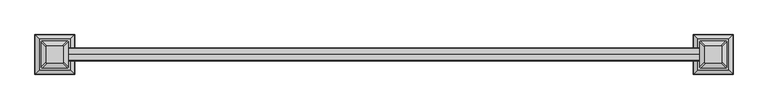
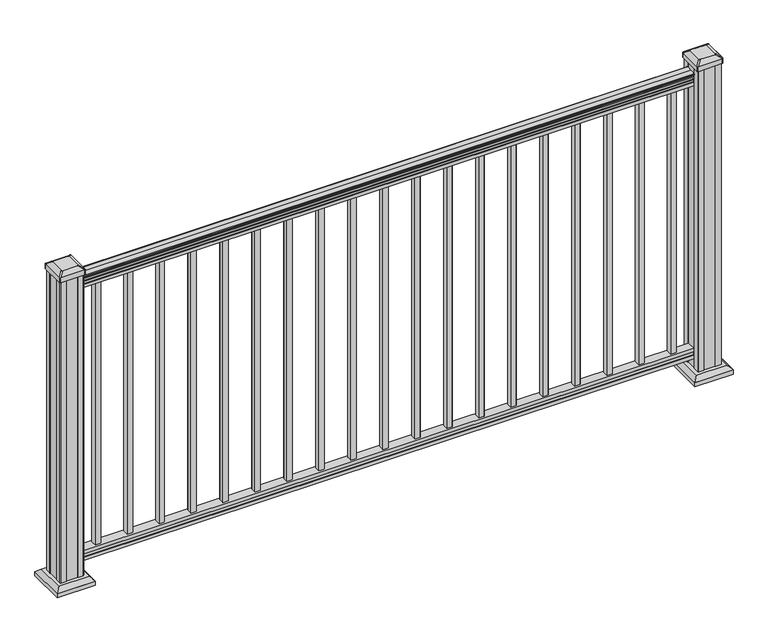
"""IFC4 building model written with IfcOpenShell, lengths in millimetres: railing geometry."""

from ifc_helpers import new_model, si_unit, point, frame, frame_2d, origin, origin_with_axes, place, context, project, spatial, polyline, circle_curve, trimmed, segment, composite_curve, outline, extrude, faceted_brep, source, transform, mapped, element, save
from ifc_brep_helpers import plane_surface, cylinder_surface, revolved_surface, extruded_surface, advanced_brep


def railing_175253f0(model_context):
    return source(origin(), model_context, "Body", "SolidModel", [
        advanced_brep(
        [(15331.560144, -6988.1092591, 1090.8043297), (15331.560144, -6990.6830879, 1090.8043297), (15331.560144, -6990.6830879, 1080.147013), (15331.560144, -6989.6670879, 1079.131013), (15331.560144, -6989.6670879, 1066.8), (15331.560144, -7021.4170879, 1066.8), (15331.560144, -7021.4170879, 1079.2888283), (15331.560144, -7020.4010879, 1080.3048283), (15331.560144, -7020.4010879, 1090.8043297), (15331.560144, -7022.9749166, 1090.8043297), (15331.560144, -7022.9749166, 1092.692412), (15331.560144, -7024.1051029, 1094.2546695), (15331.560144, -7024.1051029, 1101.4726458), (15331.560144, -7023.4558465, 1103.9060812), (15331.560144, -7025.9558465, 1108.2362083), (15331.560144, -7027.3651889, 1109.9157972), (15331.560144, -7027.7670879, 1111.0205318), (15331.560144, -7027.7670879, 1112.3608158), (15331.560144, -7026.2136406, 1113.914263), (15331.560144, -7005.5420879, 1113.914263), (15331.560144, -6984.8705351, 1113.914263), (15331.560144, -6983.3170879, 1112.3608158), (15331.560144, -6983.3170879, 1111.0205318), (15331.560144, -6983.7189868, 1109.9157972), (15331.560144, -6985.1283292, 1108.2362083), (15331.560144, -6987.6283292, 1103.9060812), (15331.560144, -6986.9790728, 1101.4726458), (15331.560144, -6986.9790728, 1094.2546695), (15331.560144, -6988.1092591, 1092.692412), (17465.160144, -6988.1092591, 1090.8043297), (17465.160144, -6988.1092591, 1092.692412), (17465.160144, -6986.9790728, 1094.2546695), (17465.160144, -6986.9790728, 1101.4726458), (17465.160144, -6987.6283292, 1103.9060812), (17465.160144, -6985.1283292, 1108.2362083), (17465.160144, -6983.7189868, 1109.9157972), (17465.160144, -6983.3170878, 1111.0205318), (17465.160144, -6983.3170879, 1112.3608158), (17465.160144, -6984.8705351, 1113.914263), (17465.160144, -7005.5420879, 1113.914263), (17465.160144, -7026.2136406, 1113.914263), (17465.160144, -7027.7670879, 1112.3608158), (17465.160144, -7027.7670879, 1111.0205318), (17465.160144, -7027.3651889, 1109.9157972), (17465.160144, -7025.9558465, 1108.2362083), (17465.160144, -7023.4558465, 1103.9060812), (17465.160144, -7024.1051029, 1101.4726458), (17465.160144, -7024.1051029, 1094.2546695), (17465.160144, -7022.9749166, 1092.692412), (17465.160144, -7022.9749166, 1090.8043297), (17465.160144, -7020.4010879, 1090.8043297), (17465.160144, -7020.4010879, 1080.3048283), (17465.160144, -7021.4170879, 1079.2888283), (17465.160144, -7021.4170879, 1066.8), (17465.160144, -6989.6670879, 1066.8), (17465.160144, -6989.6670879, 1079.131013), (17465.160144, -6990.6830879, 1080.147013), (17465.160144, -6990.6830879, 1090.8043297)],
        [
            (0, 1, circle_curve(frame((15331.560144, -6989.3961735, 1090.8043297), z_axis=(-1.0, 0.0, 0.0), x_axis=(0.0, -1.0, 0.0)), 1.2869144)),
            (1, 2),
            (2, 3),
            (3, 4),
            (4, 5),
            (5, 6),
            (6, 7),
            (7, 8),
            (8, 9, circle_curve(frame((15331.560144, -7021.6880022, 1090.8043297), z_axis=(-1.0, 0.0, 0.0), x_axis=(0.0, 1.0, 0.0)), 1.2869144)),
            (9, 10),
            (10, 11, circle_curve(frame((15331.560144, -7016.6601633, 1098.4506383), z_axis=(-1.0, 0.0, 0.0), x_axis=(0.0, 1.0, 0.0)), 8.545951)),
            (11, 12, circle_curve(frame((15331.560144, -7017.0972263, 1097.8636577), z_axis=(-1.0, 0.0, 0.0), x_axis=(0.0, 1.0, 0.0)), 7.882584)),
            (12, 13, circle_curve(frame((15331.560144, -7027.6105504, 1103.7112527), z_axis=(1.0, 0.0, 0.0), x_axis=(0.0, 1.0, 0.0)), 4.1592695)),
            (13, 14, circle_curve(frame((15331.560144, -7028.897857, 1103.6508864), z_axis=(1.0, 0.0, 0.0), x_axis=(0.0, 1.0, 0.0)), 5.4479907)),
            (14, 15, circle_curve(frame((15331.560144, -7027.6646985, 1108.233395), z_axis=(1.0, 0.0, 0.0), x_axis=(0.0, 1.0, 0.0)), 1.7088543)),
            (15, 16, circle_curve(frame((15331.560144, -7026.0477984, 1111.0205318), z_axis=(-1.0, 0.0, 0.0), x_axis=(0.0, 1.0, 0.0)), 1.7192895)),
            (16, 17),
            (17, 18, circle_curve(frame((15331.560144, -7026.2136406, 1112.3608158), z_axis=(-1.0, 0.0, 0.0), x_axis=(0.0, 1.0, 0.0)), 1.5534472)),
            (18, 19),
            (19, 20),
            (20, 21, circle_curve(frame((15331.560144, -6984.8705351, 1112.3608158), z_axis=(-1.0, 0.0, 0.0), x_axis=(0.0, -1.0, 0.0)), 1.5534472)),
            (21, 22),
            (22, 23, circle_curve(frame((15331.560144, -6985.0363773, 1111.0205318), z_axis=(-1.0, 0.0, 0.0), x_axis=(0.0, -1.0, 0.0)), 1.7192895)),
            (23, 24, circle_curve(frame((15331.560144, -6983.4194772, 1108.233395), z_axis=(1.0, 0.0, 0.0), x_axis=(0.0, -1.0, 0.0)), 1.7088543)),
            (24, 25, circle_curve(frame((15331.560144, -6982.1863188, 1103.6508864), z_axis=(1.0, 0.0, 0.0), x_axis=(0.0, -1.0, 0.0)), 5.4479907)),
            (25, 26, circle_curve(frame((15331.560144, -6983.4736253, 1103.7112527), z_axis=(1.0, 0.0, 0.0), x_axis=(0.0, -1.0, 0.0)), 4.1592695)),
            (26, 27, circle_curve(frame((15331.560144, -6993.9869494, 1097.8636577), z_axis=(-1.0, 0.0, 0.0), x_axis=(0.0, -1.0, 0.0)), 7.882584)),
            (27, 28, circle_curve(frame((15331.560144, -6994.4240124, 1098.4506383), z_axis=(-1.0, 0.0, 0.0), x_axis=(0.0, -1.0, 0.0)), 8.545951)),
            (28, 0),
            (29, 30),
            (30, 31, circle_curve(frame((17465.160144, -6994.4240124, 1098.4506383), z_axis=(1.0, 0.0, 0.0), x_axis=(0.0, -1.0, 0.0)), 8.545951)),
            (31, 32, circle_curve(frame((17465.160144, -6993.9869494, 1097.8636577), z_axis=(1.0, 0.0, 0.0), x_axis=(0.0, -1.0, 0.0)), 7.882584)),
            (32, 33, circle_curve(frame((17465.160144, -6983.4736253, 1103.7112527), z_axis=(-1.0, 0.0, 0.0), x_axis=(0.0, -1.0, 0.0)), 4.1592695)),
            (33, 34, circle_curve(frame((17465.160144, -6982.1863188, 1103.6508864), z_axis=(-1.0, 0.0, 0.0), x_axis=(0.0, -1.0, 0.0)), 5.4479907)),
            (34, 35, circle_curve(frame((17465.160144, -6983.4194772, 1108.233395), z_axis=(-1.0, 0.0, 0.0), x_axis=(0.0, -1.0, 0.0)), 1.7088543)),
            (35, 36, circle_curve(frame((17465.160144, -6985.0363773, 1111.0205318), z_axis=(1.0, 0.0, 0.0), x_axis=(0.0, -1.0, 0.0)), 1.7192895)),
            (36, 37),
            (37, 38, circle_curve(frame((17465.160144, -6984.8705351, 1112.3608158), z_axis=(1.0, 0.0, 0.0), x_axis=(0.0, -1.0, 0.0)), 1.5534472)),
            (38, 39),
            (39, 40),
            (40, 41, circle_curve(frame((17465.160144, -7026.2136406, 1112.3608158), z_axis=(1.0, 0.0, 0.0), x_axis=(0.0, 1.0, 0.0)), 1.5534472)),
            (41, 42),
            (42, 43, circle_curve(frame((17465.160144, -7026.0477984, 1111.0205318), z_axis=(1.0, 0.0, 0.0), x_axis=(0.0, 1.0, 0.0)), 1.7192895)),
            (43, 44, circle_curve(frame((17465.160144, -7027.6646985, 1108.233395), z_axis=(-1.0, 0.0, 0.0), x_axis=(0.0, 1.0, 0.0)), 1.7088543)),
            (44, 45, circle_curve(frame((17465.160144, -7028.897857, 1103.6508864), z_axis=(-1.0, 0.0, 0.0), x_axis=(0.0, 1.0, 0.0)), 5.4479907)),
            (45, 46, circle_curve(frame((17465.160144, -7027.6105504, 1103.7112527), z_axis=(-1.0, 0.0, 0.0), x_axis=(0.0, 1.0, 0.0)), 4.1592695)),
            (46, 47, circle_curve(frame((17465.160144, -7017.0972263, 1097.8636577), z_axis=(1.0, 0.0, 0.0), x_axis=(0.0, 1.0, 0.0)), 7.882584)),
            (47, 48, circle_curve(frame((17465.160144, -7016.6601633, 1098.4506383), z_axis=(1.0, 0.0, 0.0), x_axis=(0.0, 1.0, 0.0)), 8.545951)),
            (48, 49),
            (49, 50, circle_curve(frame((17465.160144, -7021.6880022, 1090.8043297), z_axis=(1.0, 0.0, 0.0), x_axis=(0.0, 1.0, 0.0)), 1.2869144)),
            (50, 51),
            (51, 52),
            (52, 53),
            (53, 54),
            (54, 55),
            (55, 56),
            (56, 57),
            (57, 29, circle_curve(frame((17465.160144, -6989.3961735, 1090.8043297), z_axis=(1.0, 0.0, 0.0), x_axis=(0.0, -1.0, 0.0)), 1.2869144)),
            (0, 29),
            (57, 1),
            (56, 2),
            (55, 3),
            (54, 4),
            (53, 5),
            (52, 6),
            (51, 7),
            (50, 8),
            (49, 9),
            (48, 10),
            (47, 11),
            (46, 12),
            (45, 13),
            (44, 14),
            (43, 15),
            (42, 16),
            (41, 17),
            (40, 18),
            (39, 19),
            (38, 20),
            (37, 21),
            (36, 22),
            (35, 23),
            (34, 24),
            (33, 25),
            (32, 26),
            (31, 27),
            (30, 28),
        ],
        [
            plane_surface(frame((15331.560144, -7005.5420879, 1066.8), z_axis=(-1.0, 0.0, 0.0), x_axis=(0.0, 1.0, 0.0))),
            plane_surface(frame((17465.160144, -7005.5420879, 1066.8), z_axis=(1.0, 0.0, 0.0), x_axis=(0.0, 1.0, 0.0))),
            cylinder_surface(frame((15331.560144, -6989.3961735, 1090.8043297), z_axis=(-1.0, 0.0, 0.0), x_axis=(0.0, -1.0, 0.0)), 1.2869144),
            plane_surface(frame((15331.560144, -6990.6830879, 1090.8043297), z_axis=(0.0, 1.0, 0.0), x_axis=(1.0, 0.0, 0.0))),
            plane_surface(frame((15331.560144, -6990.6830879, 1080.147013), z_axis=(0.0, 0.7071067811865395, 0.7071067811865556), x_axis=(1.0, 0.0, 0.0))),
            plane_surface(frame((15331.560144, -6989.6670879, 1079.131013), z_axis=(0.0, 1.0, 0.0), x_axis=(1.0, 0.0, 0.0))),
            plane_surface(frame((15331.560144, -6989.6670879, 1066.8), z_axis=(0.0, 0.0, -1.0), x_axis=(1.0, 0.0, 0.0))),
            plane_surface(frame((15331.560144, -7021.4170879, 1066.8), z_axis=(0.0, -1.0, 0.0), x_axis=(1.0, 0.0, 0.0))),
            plane_surface(frame((15331.560144, -7021.4170879, 1079.2888283), z_axis=(0.0, -0.7071067811865432, 0.707106781186552), x_axis=(1.0, 0.0, 0.0))),
            plane_surface(frame((15331.560144, -7020.4010879, 1080.3048283), z_axis=(0.0, -1.0, 0.0), x_axis=(1.0, 0.0, 0.0))),
            cylinder_surface(frame((15331.560144, -7021.6880022, 1090.8043297), z_axis=(-1.0, 0.0, 0.0), x_axis=(0.0, 1.0, 0.0)), 1.2869144),
            plane_surface(frame((15331.560144, -7022.9749166, 1090.8043297), z_axis=(0.0, -1.0, 0.0), x_axis=(1.0, 0.0, 0.0))),
            cylinder_surface(frame((15331.560144, -7016.6601633, 1098.4506383), z_axis=(-1.0, 0.0, 0.0), x_axis=(0.0, 1.0, 0.0)), 8.545951),
            cylinder_surface(frame((15331.560144, -7017.0972263, 1097.8636577), z_axis=(-1.0, 0.0, 0.0), x_axis=(0.0, 1.0, 0.0)), 7.882584),
            revolved_surface(polyline([(17465.160144, -7023.4512809, 1103.7112527), (15331.560144, -7023.4512809, 1103.7112527)]), (15331.560144, -7027.6105504, 1103.7112527), (1.0, 0.0, 0.0)),
            revolved_surface(polyline([(17465.160144, -7023.4498662999995, 1103.6508864), (15331.560144, -7023.4498662999995, 1103.6508864)]), (15331.560144, -7028.897857, 1103.6508864), (1.0, 0.0, 0.0)),
            revolved_surface(polyline([(17465.160144, -7025.9558442, 1108.233395), (15331.560144, -7025.9558442, 1108.233395)]), (15331.560144, -7027.6646985, 1108.233395), (1.0, 0.0, 0.0)),
            cylinder_surface(frame((15331.560144, -7026.0477984, 1111.0205318), z_axis=(-1.0, 0.0, 0.0), x_axis=(0.0, 1.0, 0.0)), 1.7192895),
            plane_surface(frame((15331.560144, -7027.7670879, 1111.0205318), z_axis=(0.0, -1.0, 0.0), x_axis=(1.0, 0.0, 0.0))),
            cylinder_surface(frame((15331.560144, -7026.2136406, 1112.3608158), z_axis=(-1.0, 0.0, 0.0), x_axis=(0.0, 1.0, 0.0)), 1.5534472),
            plane_surface(frame((15331.560144, -7026.2136406, 1113.914263), z_axis=(0.0, 0.0, 1.0), x_axis=(1.0, 0.0, 0.0))),
            plane_surface(frame((15331.560144, -7005.5420879, 1113.914263), z_axis=(0.0, 0.0, 1.0), x_axis=(1.0, 0.0, 0.0))),
            cylinder_surface(frame((15331.560144, -6984.8705351, 1112.3608158), z_axis=(-1.0, 0.0, 0.0), x_axis=(0.0, -1.0, 0.0)), 1.5534472),
            plane_surface(frame((15331.560144, -6983.3170879, 1112.3608158), z_axis=(0.0, 1.0, 0.0), x_axis=(1.0, 0.0, 0.0))),
            cylinder_surface(frame((15331.560144, -6985.0363773, 1111.0205318), z_axis=(-1.0, 0.0, 0.0), x_axis=(0.0, -1.0, 0.0)), 1.7192895),
            revolved_surface(polyline([(17465.160144, -6985.1283315, 1108.233395), (15331.560144, -6985.1283315, 1108.233395)]), (15331.560144, -6983.4194772, 1108.233395), (1.0, 0.0, 0.0)),
            revolved_surface(polyline([(17465.160144, -6987.6343095, 1103.6508864), (15331.560144, -6987.6343095, 1103.6508864)]), (15331.560144, -6982.1863188, 1103.6508864), (1.0, 0.0, 0.0)),
            revolved_surface(polyline([(17465.160144, -6987.6328948, 1103.7112527), (15331.560144, -6987.6328948, 1103.7112527)]), (15331.560144, -6983.4736253, 1103.7112527), (1.0, 0.0, 0.0)),
            cylinder_surface(frame((15331.560144, -6993.9869494, 1097.8636577), z_axis=(-1.0, 0.0, 0.0), x_axis=(0.0, -1.0, 0.0)), 7.882584),
            cylinder_surface(frame((15331.560144, -6994.4240124, 1098.4506383), z_axis=(-1.0, 0.0, 0.0), x_axis=(0.0, -1.0, 0.0)), 8.545951),
            plane_surface(frame((15331.560144, -6988.1092591, 1092.692412), z_axis=(0.0, 1.0, 0.0), x_axis=(1.0, 0.0, 0.0))),
        ],
        [
            (0, [[1, 2, 3, 4, 5, 6, 7, 8, 9, 10, 11, 12, 13, 14, 15, 16, 17, 18, 19, 20, 21, 22, 23, 24, 25, 26, 27, 28, 29]]),
            (1, [[30, 31, 32, 33, 34, 35, 36, 37, 38, 39, 40, 41, 42, 43, 44, 45, 46, 47, 48, 49, 50, 51, 52, 53, 54, 55, 56, 57, 58]]),
            (2, [[-1, 59, -58, 60]]),
            (3, [[-2, -60, -57, 61]]),
            (4, [[-3, -61, -56, 62]]),
            (5, [[-4, -62, -55, 63]]),
            (6, [[-5, -63, -54, 64]]),
            (7, [[-6, -64, -53, 65]]),
            (8, [[-7, -65, -52, 66]]),
            (9, [[-8, -66, -51, 67]]),
            (10, [[-9, -67, -50, 68]]),
            (11, [[-10, -68, -49, 69]]),
            (12, [[-11, -69, -48, 70]]),
            (13, [[-12, -70, -47, 71]]),
            (14, [[-13, -71, -46, 72]]),
            (15, [[-14, -72, -45, 73]]),
            (16, [[-15, -73, -44, 74]]),
            (17, [[-16, -74, -43, 75]]),
            (18, [[-17, -75, -42, 76]]),
            (19, [[-18, -76, -41, 77]]),
            (20, [[-19, -77, -40, 78]]),
            (21, [[-20, -78, -39, 79]]),
            (22, [[-21, -79, -38, 80]]),
            (23, [[-22, -80, -37, 81]]),
            (24, [[-23, -81, -36, 82]]),
            (25, [[-24, -82, -35, 83]]),
            (26, [[-25, -83, -34, 84]]),
            (27, [[-26, -84, -33, 85]]),
            (28, [[-27, -85, -32, 86]]),
            (29, [[-28, -86, -31, 87]]),
            (30, [[-29, -87, -30, -59]]),
        ],
    ),
        faceted_brep([(15331.560144, -6989.629601, 76.0541976), (15331.560144, -6989.629601, 63.5), (15331.560144, -7021.379601, 63.5), (15331.560144, -7021.379601, 76.0375508), (15331.560144, -7020.363601, 77.3858283), (15331.560144, -7020.363601, 87.6975248), (15331.560144, -7021.379601, 89.0458024), (15331.560144, -7021.379601, 101.5958781), (15331.560144, -6989.629601, 101.5958781), (15331.560144, -6989.629601, 89.0624492), (15331.560144, -6990.645601, 87.7141717), (15331.560144, -6990.645601, 77.3546183), (17465.160144, -6989.629601, 76.0541976), (17465.160144, -6990.645601, 77.3546183), (17465.160144, -6990.645601, 87.7141717), (17465.160144, -6989.629601, 89.0624492), (17465.160144, -6989.629601, 101.5958781), (17465.160144, -7021.379601, 101.5958781), (17465.160144, -7021.379601, 89.0458024), (17465.160144, -7020.363601, 87.6975248), (17465.160144, -7020.363601, 77.3858283), (17465.160144, -7021.379601, 76.0375508), (17465.160144, -7021.379601, 63.5), (17465.160144, -6989.629601, 63.5)], [[[0, 1, 2, 3, 4, 5, 6, 7, 8, 9, 10, 11]], [[12, 13, 14, 15, 16, 17, 18, 19, 20, 21, 22, 23]], [[1, 0, 12, 23]], [[2, 1, 23, 22]], [[3, 2, 22, 21]], [[4, 3, 21, 20]], [[5, 4, 20, 19]], [[6, 5, 19, 18]], [[7, 6, 18, 17]], [[8, 7, 17, 16]], [[9, 8, 16, 15]], [[10, 9, 15, 14]], [[11, 10, 14, 13]], [[0, 11, 13, 12]]]),
        extrude(outline(polyline([(17388.960144, -6996.0170879), (17408.010144, -6996.0170879), (17408.010144, -7015.0670879), (17388.960144, -7015.0670879), (17388.960144, -6996.0170879)]), holes=[polyline([(17389.357019, -6996.4139629), (17389.357019, -7014.6702129), (17407.613269, -7014.6702129), (17407.613269, -6996.4139629), (17389.357019, -6996.4139629)])]), frame((0.0, 0.0, 101.5958781), z_axis=(0.0, 0.0, 1.0), x_axis=(1.0, 0.0, 0.0)), (0.0, 0.0, 1.0), 965.2041219),
        extrude(outline(polyline([(17277.835144, -6996.0170879), (17296.885144, -6996.0170879), (17296.885144, -7015.0670879), (17277.835144, -7015.0670879), (17277.835144, -6996.0170879)]), holes=[polyline([(17278.232019, -6996.4139629), (17278.232019, -7014.6702129), (17296.488269, -7014.6702129), (17296.488269, -6996.4139629), (17278.232019, -6996.4139629)])]), frame((0.0, 0.0, 101.5958781), z_axis=(0.0, 0.0, 1.0), x_axis=(1.0, 0.0, 0.0)), (0.0, 0.0, 1.0), 965.2041219),
        extrude(outline(polyline([(17166.710144, -6996.0170879), (17185.760144, -6996.0170879), (17185.760144, -7015.0670879), (17166.710144, -7015.0670879), (17166.710144, -6996.0170879)]), holes=[polyline([(17167.107019, -6996.4139629), (17167.107019, -7014.6702129), (17185.363269, -7014.6702129), (17185.363269, -6996.4139629), (17167.107019, -6996.4139629)])]), frame((0.0, 0.0, 101.5958781), z_axis=(0.0, 0.0, 1.0), x_axis=(1.0, 0.0, 0.0)), (0.0, 0.0, 1.0), 965.2041219),
        extrude(outline(polyline([(17055.585144, -6996.0170879), (17074.635144, -6996.0170879), (17074.635144, -7015.0670879), (17055.585144, -7015.0670879), (17055.585144, -6996.0170879)]), holes=[polyline([(17055.982019, -6996.4139629), (17055.982019, -7014.6702129), (17074.238269, -7014.6702129), (17074.238269, -6996.4139629), (17055.982019, -6996.4139629)])]), frame((0.0, 0.0, 101.5958781), z_axis=(0.0, 0.0, 1.0), x_axis=(1.0, 0.0, 0.0)), (0.0, 0.0, 1.0), 965.2041219),
        extrude(outline(polyline([(16944.460144, -6996.0170879), (16963.510144, -6996.0170879), (16963.510144, -7015.0670879), (16944.460144, -7015.0670879), (16944.460144, -6996.0170879)]), holes=[polyline([(16944.857019, -6996.4139629), (16944.857019, -7014.6702129), (16963.113269, -7014.6702129), (16963.113269, -6996.4139629), (16944.857019, -6996.4139629)])]), frame((0.0, 0.0, 101.5958781), z_axis=(0.0, 0.0, 1.0), x_axis=(1.0, 0.0, 0.0)), (0.0, 0.0, 1.0), 965.2041219),
        extrude(outline(polyline([(16833.335144, -6996.0170879), (16852.385144, -6996.0170879), (16852.385144, -7015.0670879), (16833.335144, -7015.0670879), (16833.335144, -6996.0170879)]), holes=[polyline([(16833.732019, -6996.4139629), (16833.732019, -7014.6702129), (16851.988269, -7014.6702129), (16851.988269, -6996.4139629), (16833.732019, -6996.4139629)])]), frame((0.0, 0.0, 101.5958781), z_axis=(0.0, 0.0, 1.0), x_axis=(1.0, 0.0, 0.0)), (0.0, 0.0, 1.0), 965.2041219),
        extrude(outline(polyline([(16722.210144, -6996.0170879), (16741.260144, -6996.0170879), (16741.260144, -7015.0670879), (16722.210144, -7015.0670879), (16722.210144, -6996.0170879)]), holes=[polyline([(16722.607019, -6996.4139629), (16722.607019, -7014.6702129), (16740.863269, -7014.6702129), (16740.863269, -6996.4139629), (16722.607019, -6996.4139629)])]), frame((0.0, 0.0, 101.5958781), z_axis=(0.0, 0.0, 1.0), x_axis=(1.0, 0.0, 0.0)), (0.0, 0.0, 1.0), 965.2041219),
        extrude(outline(polyline([(16611.085144, -6996.0170879), (16630.135144, -6996.0170879), (16630.135144, -7015.0670879), (16611.085144, -7015.0670879), (16611.085144, -6996.0170879)]), holes=[polyline([(16611.482019, -6996.4139629), (16611.482019, -7014.6702129), (16629.738269, -7014.6702129), (16629.738269, -6996.4139629), (16611.482019, -6996.4139629)])]), frame((0.0, 0.0, 101.5958781), z_axis=(0.0, 0.0, 1.0), x_axis=(1.0, 0.0, 0.0)), (0.0, 0.0, 1.0), 965.2041219),
        extrude(outline(polyline([(16499.960144, -6996.0170879), (16519.010144, -6996.0170879), (16519.010144, -7015.0670879), (16499.960144, -7015.0670879), (16499.960144, -6996.0170879)]), holes=[polyline([(16500.357019, -6996.4139629), (16500.357019, -7014.6702129), (16518.613269, -7014.6702129), (16518.613269, -6996.4139629), (16500.357019, -6996.4139629)])]), frame((0.0, 0.0, 101.5958781), z_axis=(0.0, 0.0, 1.0), x_axis=(1.0, 0.0, 0.0)), (0.0, 0.0, 1.0), 965.2041219),
        extrude(outline(polyline([(16388.835144, -6996.0170879), (16407.885144, -6996.0170879), (16407.885144, -7015.0670879), (16388.835144, -7015.0670879), (16388.835144, -6996.0170879)]), holes=[polyline([(16389.232019, -6996.4139629), (16389.232019, -7014.6702129), (16407.488269, -7014.6702129), (16407.488269, -6996.4139629), (16389.232019, -6996.4139629)])]), frame((0.0, 0.0, 101.5958781), z_axis=(0.0, 0.0, 1.0), x_axis=(1.0, 0.0, 0.0)), (0.0, 0.0, 1.0), 965.2041219),
        extrude(outline(polyline([(16277.710144, -6996.0170879), (16296.760144, -6996.0170879), (16296.760144, -7015.0670879), (16277.710144, -7015.0670879), (16277.710144, -6996.0170879)]), holes=[polyline([(16278.107019, -6996.4139629), (16278.107019, -7014.6702129), (16296.363269, -7014.6702129), (16296.363269, -6996.4139629), (16278.107019, -6996.4139629)])]), frame((0.0, 0.0, 101.5958781), z_axis=(0.0, 0.0, 1.0), x_axis=(1.0, 0.0, 0.0)), (0.0, 0.0, 1.0), 965.2041219),
        extrude(outline(polyline([(16166.585144, -6996.0170879), (16185.635144, -6996.0170879), (16185.635144, -7015.0670879), (16166.585144, -7015.0670879), (16166.585144, -6996.0170879)]), holes=[polyline([(16166.982019, -6996.4139629), (16166.982019, -7014.6702129), (16185.238269, -7014.6702129), (16185.238269, -6996.4139629), (16166.982019, -6996.4139629)])]), frame((0.0, 0.0, 101.5958781), z_axis=(0.0, 0.0, 1.0), x_axis=(1.0, 0.0, 0.0)), (0.0, 0.0, 1.0), 965.2041219),
        extrude(outline(polyline([(16055.460144, -6996.0170879), (16074.510144, -6996.0170879), (16074.510144, -7015.0670879), (16055.460144, -7015.0670879), (16055.460144, -6996.0170879)]), holes=[polyline([(16055.857019, -6996.4139629), (16055.857019, -7014.6702129), (16074.113269, -7014.6702129), (16074.113269, -6996.4139629), (16055.857019, -6996.4139629)])]), frame((0.0, 0.0, 101.5958781), z_axis=(0.0, 0.0, 1.0), x_axis=(1.0, 0.0, 0.0)), (0.0, 0.0, 1.0), 965.2041219),
        extrude(outline(polyline([(15944.335144, -6996.0170879), (15963.385144, -6996.0170879), (15963.385144, -7015.0670879), (15944.335144, -7015.0670879), (15944.335144, -6996.0170879)]), holes=[polyline([(15944.732019, -6996.4139629), (15944.732019, -7014.6702129), (15962.988269, -7014.6702129), (15962.988269, -6996.4139629), (15944.732019, -6996.4139629)])]), frame((0.0, 0.0, 101.5958781), z_axis=(0.0, 0.0, 1.0), x_axis=(1.0, 0.0, 0.0)), (0.0, 0.0, 1.0), 965.2041219),
        extrude(outline(polyline([(15833.210144, -6996.0170879), (15852.260144, -6996.0170879), (15852.260144, -7015.0670879), (15833.210144, -7015.0670879), (15833.210144, -6996.0170879)]), holes=[polyline([(15833.607019, -6996.4139629), (15833.607019, -7014.6702129), (15851.863269, -7014.6702129), (15851.863269, -6996.4139629), (15833.607019, -6996.4139629)])]), frame((0.0, 0.0, 101.5958781), z_axis=(0.0, 0.0, 1.0), x_axis=(1.0, 0.0, 0.0)), (0.0, 0.0, 1.0), 965.2041219),
        extrude(outline(polyline([(15722.085144, -6996.0170879), (15741.135144, -6996.0170879), (15741.135144, -7015.0670879), (15722.085144, -7015.0670879), (15722.085144, -6996.0170879)]), holes=[polyline([(15722.482019, -6996.4139629), (15722.482019, -7014.6702129), (15740.738269, -7014.6702129), (15740.738269, -6996.4139629), (15722.482019, -6996.4139629)])]), frame((0.0, 0.0, 101.5958781), z_axis=(0.0, 0.0, 1.0), x_axis=(1.0, 0.0, 0.0)), (0.0, 0.0, 1.0), 965.2041219),
        extrude(outline(polyline([(15610.960144, -6996.0170879), (15630.010144, -6996.0170879), (15630.010144, -7015.0670879), (15610.960144, -7015.0670879), (15610.960144, -6996.0170879)]), holes=[polyline([(15611.357019, -6996.4139629), (15611.357019, -7014.6702129), (15629.613269, -7014.6702129), (15629.613269, -6996.4139629), (15611.357019, -6996.4139629)])]), frame((0.0, 0.0, 101.5958781), z_axis=(0.0, 0.0, 1.0), x_axis=(1.0, 0.0, 0.0)), (0.0, 0.0, 1.0), 965.2041219),
        extrude(outline(polyline([(15499.835144, -6996.0170879), (15518.885144, -6996.0170879), (15518.885144, -7015.0670879), (15499.835144, -7015.0670879), (15499.835144, -6996.0170879)]), holes=[polyline([(15500.232019, -6996.4139629), (15500.232019, -7014.6702129), (15518.488269, -7014.6702129), (15518.488269, -6996.4139629), (15500.232019, -6996.4139629)])]), frame((0.0, 0.0, 101.5958781), z_axis=(0.0, 0.0, 1.0), x_axis=(1.0, 0.0, 0.0)), (0.0, 0.0, 1.0), 965.2041219),
        extrude(outline(polyline([(15388.710144, -6996.0170879), (15407.760144, -6996.0170879), (15407.760144, -7015.0670879), (15388.710144, -7015.0670879), (15388.710144, -6996.0170879)]), holes=[polyline([(15389.107019, -6996.4139629), (15389.107019, -7014.6702129), (15407.363269, -7014.6702129), (15407.363269, -6996.4139629), (15389.107019, -6996.4139629)])]), frame((0.0, 0.0, 101.5958781), z_axis=(0.0, 0.0, 1.0), x_axis=(1.0, 0.0, 0.0)), (0.0, 0.0, 1.0), 965.2041219),
        faceted_brep([(17453.8492065, -6952.9561504, 28.575), (17453.8492065, -7058.1280254, 28.575), (17559.0210815, -7058.1280254, 28.575), (17559.0210815, -6952.9561504, 28.575), (17439.8097534, -6938.9166972, 15.24), (17573.0605346, -6938.9166972, 15.24), (17573.0605346, -7072.1674785, 15.24), (17439.8097534, -7072.1674785, 15.24)], [[[0, 1, 2, 3]], [[4, 5, 6, 7]], [[4, 7, 1, 0]], [[7, 6, 2, 1]], [[6, 5, 3, 2]], [[5, 4, 0, 3]]]),
        extrude(outline(polyline([(17439.8097534, -6938.9166972), (17573.0605346, -6938.9166972), (17573.0605346, -7072.1674785), (17439.8097534, -7072.1674785), (17439.8097534, -6938.9166972)])), origin_with_axes(), (0.0, 0.0, 1.0), 15.24),
        advanced_brep(
        [(17477.463269, -7031.3389629, 1165.225), (17480.638269, -7034.5139629, 1165.225), (17532.232019, -7034.5139629, 1165.225), (17535.407019, -7031.3389629, 1165.225), (17535.407019, -6979.7452129, 1165.225), (17532.232019, -6976.5702129, 1165.225), (17480.638269, -6976.5702129, 1165.225), (17477.463269, -6979.7452129, 1165.225), (17461.191394, -7047.6108379, 1153.922), (17461.191394, -6963.4733379, 1153.922), (17464.366394, -6960.2983379, 1153.922), (17548.503894, -6960.2983379, 1153.922), (17551.678894, -6963.4733379, 1153.922), (17551.678894, -7047.6108379, 1153.922), (17548.503894, -7050.7858379, 1153.922), (17464.366394, -7050.7858379, 1153.922)],
        [
            (0, 1, circle_curve(frame((17480.638269, -7031.3389629, 1165.225), z_axis=(0.0, 0.0, 1.0), x_axis=(1.0, 0.0, 0.0)), 3.175)),
            (1, 2),
            (2, 3, circle_curve(frame((17532.232019, -7031.3389629, 1165.225), z_axis=(0.0, 0.0, 1.0), x_axis=(1.0, 0.0, 0.0)), 3.175)),
            (3, 4),
            (4, 5, circle_curve(frame((17532.232019, -6979.7452129, 1165.225), z_axis=(0.0, 0.0, 1.0), x_axis=(1.0, 0.0, 0.0)), 3.175)),
            (5, 6),
            (6, 7, circle_curve(frame((17480.638269, -6979.7452129, 1165.225), z_axis=(0.0, 0.0, 1.0), x_axis=(1.0, 0.0, 0.0)), 3.175)),
            (7, 0),
            (8, 9),
            (9, 10, circle_curve(frame((17464.366394, -6963.4733379, 1153.922), z_axis=(0.0, 0.0, -1.0), x_axis=(1.0, 0.0, 0.0)), 3.175)),
            (10, 11),
            (11, 12, circle_curve(frame((17548.503894, -6963.4733379, 1153.922), z_axis=(0.0, 0.0, -1.0), x_axis=(1.0, 0.0, 0.0)), 3.175)),
            (12, 13),
            (13, 14, circle_curve(frame((17548.503894, -7047.6108379, 1153.922), z_axis=(0.0, 0.0, -1.0), x_axis=(1.0, 0.0, 0.0)), 3.175)),
            (14, 15),
            (15, 8, circle_curve(frame((17464.366394, -7047.6108379, 1153.922), z_axis=(0.0, 0.0, -1.0), x_axis=(1.0, 0.0, 0.0)), 3.175)),
            (15, 1),
            (0, 8),
            (14, 2),
            (13, 3),
            (12, 4),
            (11, 5),
            (10, 6),
            (9, 7),
        ],
        [
            plane_surface(frame((17506.435144, -7005.5420879, 1165.225), z_axis=(0.0, 0.0, 1.0), x_axis=(0.0, -1.0, 0.0))),
            plane_surface(frame((17506.435144, -7005.5420879, 1153.922), z_axis=(0.0, 0.0, -1.0), x_axis=(0.0, -1.0, 0.0))),
            extruded_surface(trimmed(circle_curve(frame((17464.366394, -7047.6108379, 1153.922), z_axis=(0.0, 0.0, 1.0), x_axis=(1.0, 0.0, 0.0)), 3.175), [point((17461.191394, -7047.6108379, 1153.922))], [point((17464.366394, -7050.7858379, 1153.922))], True, "CARTESIAN"), (16.271874999998545, 16.271874999999454, 11.302999999999884), 25.63797263886484),
            plane_surface(frame((17506.435144, -7050.7858379, 1153.922), z_axis=(0.0, -0.5705009161540777, 0.8212969649690409), x_axis=(1.0, 0.0, 0.0))),
            extruded_surface(trimmed(circle_curve(frame((17548.503894, -7047.6108379, 1153.922), z_axis=(0.0, 0.0, 1.0), x_axis=(1.0, 0.0, 0.0)), 3.175), [point((17548.503894, -7050.7858379, 1153.922))], [point((17551.678894, -7047.6108379, 1153.922))], True, "CARTESIAN"), (-16.271875000002183, 16.271874999999454, 11.302999999999884), 25.63797263886715),
            plane_surface(frame((17551.678894, -7005.5420879, 1153.922), z_axis=(0.5705009161540291, 0.0, 0.8212969649690747), x_axis=(0.0, 1.0, 0.0))),
            extruded_surface(trimmed(circle_curve(frame((17548.503894, -6963.4733379, 1153.922), z_axis=(0.0, 0.0, 1.0), x_axis=(1.0, 0.0, 0.0)), 3.175), [point((17551.678894, -6963.4733379, 1153.922))], [point((17548.503894, -6960.2983379, 1153.922))], True, "CARTESIAN"), (-16.271875000002183, -16.271875000000364, 11.302999999999884), 25.637972638867726),
            plane_surface(frame((17506.435144, -6960.2983379, 1153.922), z_axis=(0.0, 0.5705009161540143, 0.821296964969085), x_axis=(-1.0, 0.0, 0.0))),
            extruded_surface(trimmed(circle_curve(frame((17464.366394, -6963.4733379, 1153.922), z_axis=(0.0, 0.0, 1.0), x_axis=(1.0, 0.0, 0.0)), 3.175), [point((17464.366394, -6960.2983379, 1153.922))], [point((17461.191394, -6963.4733379, 1153.922))], True, "CARTESIAN"), (16.271874999998545, -16.271875000000364, 11.302999999999884), 25.63797263886542),
            plane_surface(frame((17461.191394, -7005.5420879, 1153.922), z_axis=(-0.570500916154034, 0.0, 0.8212969649690713), x_axis=(0.0, -1.0, 0.0))),
        ],
        [
            (0, [[1, 2, 3, 4, 5, 6, 7, 8]]),
            (1, [[9, 10, 11, 12, 13, 14, 15, 16]]),
            (2, [[-16, 17, -1, 18]]),
            (3, [[-15, 19, -2, -17]]),
            (4, [[-14, 20, -3, -19]]),
            (5, [[-13, 21, -4, -20]]),
            (6, [[-12, 22, -5, -21]]),
            (7, [[-11, 23, -6, -22]]),
            (8, [[-10, 24, -7, -23]]),
            (9, [[-9, -18, -8, -24]]),
        ],
    ),
        extrude(outline(composite_curve([segment(polyline([(17461.191394, -7047.6108379), (17461.191394, -6963.4733379)]), True, "CONTINUOUS"), segment(trimmed(circle_curve(frame_2d((17464.366394, -6963.4733379)), 3.175), [point((17461.191394, -6963.4733379))], [point((17464.366394, -6960.2983379))], False, "CARTESIAN"), True, "CONTINUOUS"), segment(polyline([(17464.366394, -6960.2983379), (17548.503894, -6960.2983379)]), True, "CONTINUOUS"), segment(trimmed(circle_curve(frame_2d((17548.503894, -6963.4733379)), 3.175), [point((17548.503894, -6960.2983379))], [point((17551.678894, -6963.4733379))], False, "CARTESIAN"), True, "CONTINUOUS"), segment(polyline([(17551.678894, -6963.4733379), (17551.678894, -7047.6108379)]), True, "CONTINUOUS"), segment(trimmed(circle_curve(frame_2d((17548.503894, -7047.6108379)), 3.175), [point((17551.678894, -7047.6108379))], [point((17548.503894, -7050.7858379))], False, "CARTESIAN"), True, "CONTINUOUS"), segment(polyline([(17548.503894, -7050.7858379), (17464.366394, -7050.7858379)]), True, "CONTINUOUS"), segment(trimmed(circle_curve(frame_2d((17464.366394, -7047.6108379)), 3.175), [point((17464.366394, -7050.7858379))], [point((17461.191394, -7047.6108379))], False, "CARTESIAN"), True, "CONTINUOUS")], self_intersect=False)), frame((0.0, 0.0, 1136.65), z_axis=(0.0, 0.0, 1.0), x_axis=(1.0, 0.0, 0.0)), (0.0, 0.0, 1.0), 17.272),
        extrude(outline(polyline([(17465.160144, -7045.2295879), (17465.160144, -7025.6080879), (17466.747644, -7024.8460879), (17466.747644, -6986.2380879), (17465.160144, -6985.4760879), (17465.160144, -6965.8545879), (17466.747644, -6964.2670879), (17486.369144, -6964.2670879), (17487.131144, -6965.8545879), (17525.739144, -6965.8545879), (17526.501144, -6964.2670879), (17546.122644, -6964.2670879), (17547.710144, -6965.8545879), (17547.710144, -6985.4760879), (17546.122644, -6986.2380879), (17546.122644, -7024.8460879), (17547.710144, -7025.6080879), (17547.710144, -7045.2295879), (17546.122644, -7046.8170879), (17526.501144, -7046.8170879), (17525.739144, -7045.2295879), (17487.131144, -7045.2295879), (17486.369144, -7046.8170879), (17466.747644, -7046.8170879), (17465.160144, -7045.2295879)])), origin_with_axes(), (0.0, 0.0, 1.0), 1136.65),
        faceted_brep([(15237.6992065, -6952.9561504, 28.575), (15237.6992065, -7058.1280254, 28.575), (15342.8710815, -7058.1280254, 28.575), (15342.8710815, -6952.9561504, 28.575), (15223.6597534, -6938.9166972, 15.24), (15356.9105346, -6938.9166972, 15.24), (15356.9105346, -7072.1674785, 15.24), (15223.6597534, -7072.1674785, 15.24)], [[[0, 1, 2, 3]], [[4, 5, 6, 7]], [[4, 7, 1, 0]], [[7, 6, 2, 1]], [[6, 5, 3, 2]], [[5, 4, 0, 3]]]),
        extrude(outline(polyline([(15223.6597534, -6938.9166972), (15356.9105346, -6938.9166972), (15356.9105346, -7072.1674785), (15223.6597534, -7072.1674785), (15223.6597534, -6938.9166972)])), origin_with_axes(), (0.0, 0.0, 1.0), 15.24),
        advanced_brep(
        [(15261.313269, -7031.3389629, 1165.225), (15264.488269, -7034.5139629, 1165.225), (15316.082019, -7034.5139629, 1165.225), (15319.257019, -7031.3389629, 1165.225), (15319.257019, -6979.7452129, 1165.225), (15316.082019, -6976.5702129, 1165.225), (15264.488269, -6976.5702129, 1165.225), (15261.313269, -6979.7452129, 1165.225), (15245.041394, -7047.6108379, 1153.922), (15245.041394, -6963.4733379, 1153.922), (15248.216394, -6960.2983379, 1153.922), (15332.353894, -6960.2983379, 1153.922), (15335.528894, -6963.4733379, 1153.922), (15335.528894, -7047.6108379, 1153.922), (15332.353894, -7050.7858379, 1153.922), (15248.216394, -7050.7858379, 1153.922)],
        [
            (0, 1, circle_curve(frame((15264.488269, -7031.3389629, 1165.225), z_axis=(0.0, 0.0, 1.0), x_axis=(1.0, 0.0, 0.0)), 3.175)),
            (1, 2),
            (2, 3, circle_curve(frame((15316.082019, -7031.3389629, 1165.225), z_axis=(0.0, 0.0, 1.0), x_axis=(1.0, 0.0, 0.0)), 3.175)),
            (3, 4),
            (4, 5, circle_curve(frame((15316.082019, -6979.7452129, 1165.225), z_axis=(0.0, 0.0, 1.0), x_axis=(1.0, 0.0, 0.0)), 3.175)),
            (5, 6),
            (6, 7, circle_curve(frame((15264.488269, -6979.7452129, 1165.225), z_axis=(0.0, 0.0, 1.0), x_axis=(1.0, 0.0, 0.0)), 3.175)),
            (7, 0),
            (8, 9),
            (9, 10, circle_curve(frame((15248.216394, -6963.4733379, 1153.922), z_axis=(0.0, 0.0, -1.0), x_axis=(1.0, 0.0, 0.0)), 3.175)),
            (10, 11),
            (11, 12, circle_curve(frame((15332.353894, -6963.4733379, 1153.922), z_axis=(0.0, 0.0, -1.0), x_axis=(1.0, 0.0, 0.0)), 3.175)),
            (12, 13),
            (13, 14, circle_curve(frame((15332.353894, -7047.6108379, 1153.922), z_axis=(0.0, 0.0, -1.0), x_axis=(1.0, 0.0, 0.0)), 3.175)),
            (14, 15),
            (15, 8, circle_curve(frame((15248.216394, -7047.6108379, 1153.922), z_axis=(0.0, 0.0, -1.0), x_axis=(1.0, 0.0, 0.0)), 3.175)),
            (15, 1),
            (0, 8),
            (14, 2),
            (13, 3),
            (12, 4),
            (11, 5),
            (10, 6),
            (9, 7),
        ],
        [
            plane_surface(frame((15290.285144, -7005.5420879, 1165.225), z_axis=(0.0, 0.0, 1.0), x_axis=(0.0, -1.0, 0.0))),
            plane_surface(frame((15290.285144, -7005.5420879, 1153.922), z_axis=(0.0, 0.0, -1.0), x_axis=(0.0, -1.0, 0.0))),
            extruded_surface(trimmed(circle_curve(frame((15248.216394, -7047.6108379, 1153.922), z_axis=(0.0, 0.0, 1.0), x_axis=(1.0, 0.0, 0.0)), 3.175), [point((15245.041394, -7047.6108379, 1153.922))], [point((15248.216394, -7050.7858379, 1153.922))], True, "CARTESIAN"), (16.271875000000364, 16.271874999999454, 11.302999999999884), 25.637972638865996),
            plane_surface(frame((15290.285144, -7050.7858379, 1153.922), z_axis=(0.0, -0.5705009161540777, 0.8212969649690409), x_axis=(1.0, 0.0, 0.0))),
            extruded_surface(trimmed(circle_curve(frame((15332.353894, -7047.6108379, 1153.922), z_axis=(0.0, 0.0, 1.0), x_axis=(1.0, 0.0, 0.0)), 3.175), [point((15332.353894, -7050.7858379, 1153.922))], [point((15335.528894, -7047.6108379, 1153.922))], True, "CARTESIAN"), (-16.271875000000364, 16.271874999999454, 11.302999999999884), 25.637972638865996),
            plane_surface(frame((15335.528894, -7005.5420879, 1153.922), z_axis=(0.5705009161540291, 0.0, 0.8212969649690747), x_axis=(0.0, 1.0, 0.0))),
            extruded_surface(trimmed(circle_curve(frame((15332.353894, -6963.4733379, 1153.922), z_axis=(0.0, 0.0, 1.0), x_axis=(1.0, 0.0, 0.0)), 3.175), [point((15335.528894, -6963.4733379, 1153.922))], [point((15332.353894, -6960.2983379, 1153.922))], True, "CARTESIAN"), (-16.271875000000364, -16.271875000000364, 11.302999999999884), 25.63797263886657),
            plane_surface(frame((15290.285144, -6960.2983379, 1153.922), z_axis=(0.0, 0.5705009161540143, 0.821296964969085), x_axis=(-1.0, 0.0, 0.0))),
            extruded_surface(trimmed(circle_curve(frame((15248.216394, -6963.4733379, 1153.922), z_axis=(0.0, 0.0, 1.0), x_axis=(1.0, 0.0, 0.0)), 3.175), [point((15248.216394, -6960.2983379, 1153.922))], [point((15245.041394, -6963.4733379, 1153.922))], True, "CARTESIAN"), (16.271875000000364, -16.271875000000364, 11.302999999999884), 25.63797263886657),
            plane_surface(frame((15245.041394, -7005.5420879, 1153.922), z_axis=(-0.570500916154034, 0.0, 0.8212969649690713), x_axis=(0.0, -1.0, 0.0))),
        ],
        [
            (0, [[1, 2, 3, 4, 5, 6, 7, 8]]),
            (1, [[9, 10, 11, 12, 13, 14, 15, 16]]),
            (2, [[-16, 17, -1, 18]]),
            (3, [[-15, 19, -2, -17]]),
            (4, [[-14, 20, -3, -19]]),
            (5, [[-13, 21, -4, -20]]),
            (6, [[-12, 22, -5, -21]]),
            (7, [[-11, 23, -6, -22]]),
            (8, [[-10, 24, -7, -23]]),
            (9, [[-9, -18, -8, -24]]),
        ],
    ),
        extrude(outline(composite_curve([segment(polyline([(15245.041394, -7047.6108379), (15245.041394, -6963.4733379)]), True, "CONTINUOUS"), segment(trimmed(circle_curve(frame_2d((15248.216394, -6963.4733379)), 3.175), [point((15245.041394, -6963.4733379))], [point((15248.216394, -6960.2983379))], False, "CARTESIAN"), True, "CONTINUOUS"), segment(polyline([(15248.216394, -6960.2983379), (15332.353894, -6960.2983379)]), True, "CONTINUOUS"), segment(trimmed(circle_curve(frame_2d((15332.353894, -6963.4733379)), 3.175), [point((15332.353894, -6960.2983379))], [point((15335.528894, -6963.4733379))], False, "CARTESIAN"), True, "CONTINUOUS"), segment(polyline([(15335.528894, -6963.4733379), (15335.528894, -7047.6108379)]), True, "CONTINUOUS"), segment(trimmed(circle_curve(frame_2d((15332.353894, -7047.6108379)), 3.175), [point((15335.528894, -7047.6108379))], [point((15332.353894, -7050.7858379))], False, "CARTESIAN"), True, "CONTINUOUS"), segment(polyline([(15332.353894, -7050.7858379), (15248.216394, -7050.7858379)]), True, "CONTINUOUS"), segment(trimmed(circle_curve(frame_2d((15248.216394, -7047.6108379)), 3.175), [point((15248.216394, -7050.7858379))], [point((15245.041394, -7047.6108379))], False, "CARTESIAN"), True, "CONTINUOUS")], self_intersect=False)), frame((0.0, 0.0, 1136.65), z_axis=(0.0, 0.0, 1.0), x_axis=(1.0, 0.0, 0.0)), (0.0, 0.0, 1.0), 17.272),
        extrude(outline(polyline([(15249.010144, -7045.2295879), (15249.010144, -7025.6080879), (15250.597644, -7024.8460879), (15250.597644, -6986.2380879), (15249.010144, -6985.4760879), (15249.010144, -6965.8545879), (15250.597644, -6964.2670879), (15270.219144, -6964.2670879), (15270.981144, -6965.8545879), (15309.589144, -6965.8545879), (15310.351144, -6964.2670879), (15329.972644, -6964.2670879), (15331.560144, -6965.8545879), (15331.560144, -6985.4760879), (15329.972644, -6986.2380879), (15329.972644, -7024.8460879), (15331.560144, -7025.6080879), (15331.560144, -7045.2295879), (15329.972644, -7046.8170879), (15310.351144, -7046.8170879), (15309.589144, -7045.2295879), (15270.981144, -7045.2295879), (15270.219144, -7046.8170879), (15250.597644, -7046.8170879), (15249.010144, -7045.2295879)])), origin_with_axes(), (0.0, 0.0, 1.0), 1136.65),
    ])


if __name__ == "__main__":
    model = new_model("IFC4")
    model_context = context("Model", 3, world=origin())
    ifc_project = project(units=[si_unit("LENGTHUNIT", "METRE", prefix="MILLI")], contexts=[model_context])
    site = spatial("IfcSite", under=ifc_project)
    building = spatial("IfcBuilding", under=site)
    placement = place(None, origin())
    railing_shape = railing_175253f0(model_context)
    element("IfcRailing", 1, at=placement, inside=building, context=model_context, shape_type="MappedRepresentation", body=[
        mapped(railing_shape, transform((0.0, 0.0, 0.0), x_axis=(1.0, 0.0, 0.0), y_axis=(0.0, 1.0, 0.0), z_axis=(0.0, 0.0, 1.0))),
    ])
    save(model, "model.ifc")
